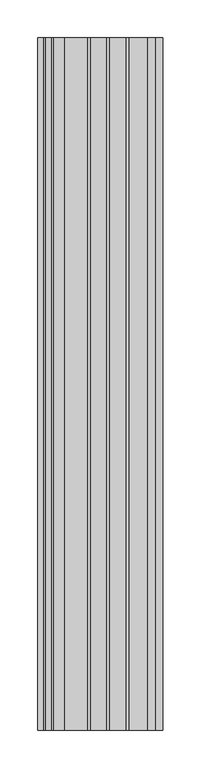
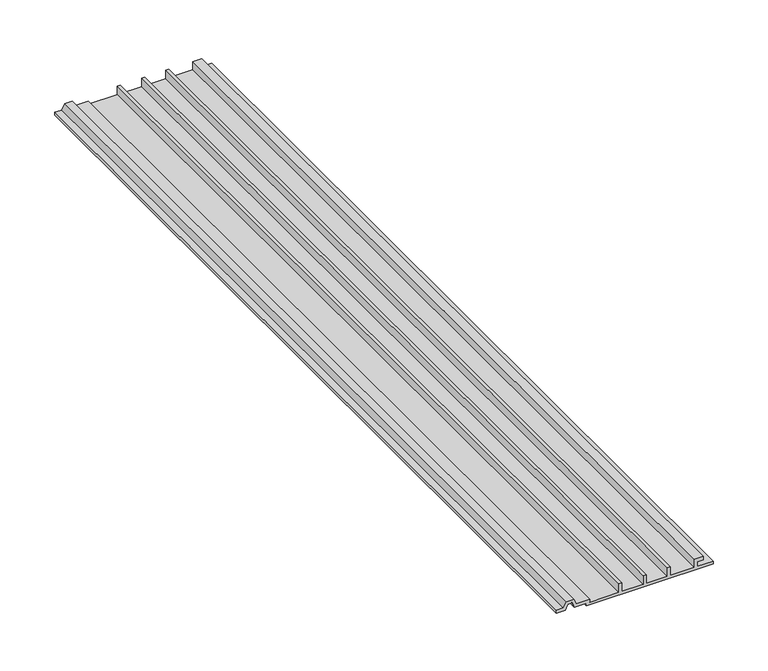
"""IFC4 building model written with IfcOpenShell, lengths in millimetres: proxy geometry."""

from ifc_helpers import new_model, si_unit, frame, origin, place, context, project, spatial, polyline, outline, extrude, source, transform, mapped, element, save


def generic_models_ec0995fb(model_context):
    return source(origin(), model_context, "Body", "SweptSolid", [
        extrude(outline(polyline([(2962.2819019, 38248.5570642), (2962.2819019, 38231.8883142), (2967.1948924, 38231.8883142), (2967.1948924, 38238.2383142), (2971.0923404, 38238.2383142), (2971.0923404, 38228.7133142), (2962.2819019, 38228.7133142), (2962.2819019, 38203.3133142), (2971.8069019, 38203.3133142), (2971.8069019, 38200.1383142), (2962.2819019, 38200.1383142), (2962.2819019, 38177.9133142), (2971.8069019, 38177.9133142), (2971.8069019, 38174.7383142), (2962.2819019, 38174.7383142), (2962.2819019, 38152.5133142), (2971.8069019, 38152.5133142), (2971.8069019, 38149.3383142), (2962.2819019, 38149.3383142), (2962.2819019, 38118.3820642), (2965.4569019, 38118.3820642), (2965.4569019, 38104.5297622), (2971.4958925, 38101.7137347), (2971.4958925, 38093.7753937), (2965.4569019, 38090.9593661), (2965.4569019, 38083.4570642), (2962.2819019, 38083.4570642), (2962.2819019, 38092.9820642), (2967.7055244, 38095.5111409), (2967.7055244, 38099.9779874), (2962.2819019, 38102.5070642), (2962.2819019, 38115.2070642), (2959.1069019, 38115.2070642), (2959.1069019, 38248.5570642), (2962.2819019, 38248.5570642)])), frame((0.0, -19576.8264268, 0.0), z_axis=(0.0, 1.0, 0.0), x_axis=(0.0, 0.0, 1.0)), (0.0, 0.0, 1.0), 914.4),
    ])


if __name__ == "__main__":
    model = new_model("IFC4")
    model_context = context("Model", 3, world=origin())
    ifc_project = project(units=[si_unit("LENGTHUNIT", "METRE", prefix="MILLI")], contexts=[model_context])
    site = spatial("IfcSite", under=ifc_project)
    building = spatial("IfcBuilding", under=site)
    placement = place(None, origin())
    generic_models_shape = generic_models_ec0995fb(model_context)
    element("IfcBuildingElementProxy", 1, Name="Generic Models", at=placement, inside=building, context=model_context, shape_type="MappedRepresentation", body=[
        mapped(generic_models_shape, transform((0.0, 0.0, 0.0), x_axis=(1.0, 0.0, 0.0), y_axis=(0.0, 1.0, 0.0), z_axis=(0.0, 0.0, 1.0))),
    ])
    save(model, "model.ifc")
